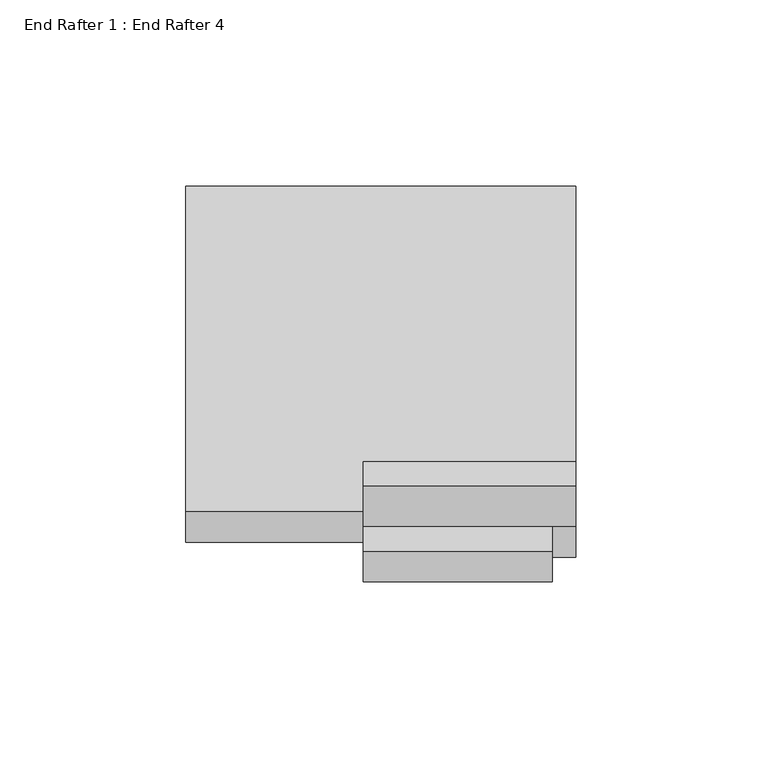
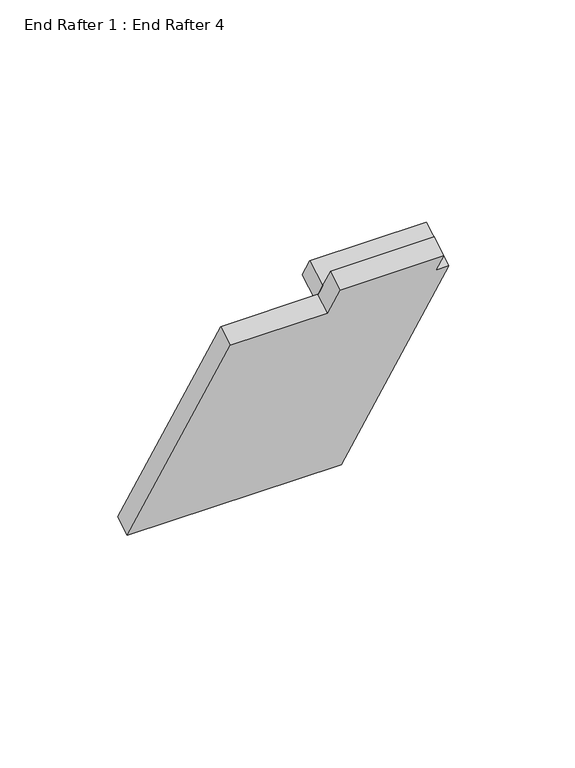
"""IFC4 building model written with IfcOpenShell, lengths in millimetres: proxy geometry, End Rafter 1 : End Rafter 4."""

import ifcopenshell
import ifcopenshell.guid

model = None  # the IFC model being written
_history = None  # IfcOwnerHistory: only IFC2X3 demands one
_inside = {}  # id of a spatial element -> (the spatial element, [elements in it])
_under = {}  # id of a project, library or spatial element -> (it, [spatial elements below it])
_declared = {}  # id of a project -> (the project, [libraries it declares])
_typed = {}  # id of a type object -> (the type object, [elements of that type])
_made_of = {}  # id of a material, layer set ... -> (it, [elements and type objects made of it])


def new_model(schema):
    """Start an empty IFC model of exactly this schema.

    Asked for "IFC4X3", IfcOpenShell would pick the latest addendum, in which some entities
    have other attributes; the version numbers below select the first issue.
    IFC2X3 requires an IfcOwnerHistory on every rooted entity: one is made here for all.
    """
    global model, _history
    if schema == "IFC4X3":
        model = ifcopenshell.file(schema_version=(4, 3, 0, 0))
    else:
        model = ifcopenshell.file(schema=schema)
    _inside.clear()
    _under.clear()
    _declared.clear()
    _typed.clear()
    _made_of.clear()
    _history = None
    if model.schema == "IFC2X3":
        org = make("IfcOrganization", Name="unknown")
        user = make(
            "IfcPersonAndOrganization",
            ThePerson=make("IfcPerson", FamilyName="unknown"),
            TheOrganization=org,
        )
        app = make(
            "IfcApplication",
            ApplicationDeveloper=org,
            Version="unknown",
            ApplicationFullName="unknown",
            ApplicationIdentifier="unknown",
        )
        _history = make(
            "IfcOwnerHistory",
            OwningUser=user,
            OwningApplication=app,
            ChangeAction="ADDED",
            CreationDate=0,
        )
    return model


def make(cls, **values):
    """One entity of the class cls with the attributes given. An attribute that is None is left unset."""
    return model.create_entity(
        cls, **{name: value for name, value in values.items() if value is not None}
    )


def rooted(cls, **values):
    """An entity with a GlobalId (a new one), such as an element, a storey or a relation."""
    return make(cls, GlobalId=ifcopenshell.guid.new(), OwnerHistory=_history, **values)


def si_unit(unit_type, name, prefix=None):
    """IfcSIUnit, for example si_unit("LENGTHUNIT", "METRE", prefix="MILLI")."""
    return make("IfcSIUnit", UnitType=unit_type, Prefix=prefix, Name=name)


def assignment(units):
    """IfcUnitAssignment: the units of a project."""
    return None if units is None else make("IfcUnitAssignment", Units=units)


def point(xyz):
    """IfcCartesianPoint."""
    return None if xyz is None else make("IfcCartesianPoint", Coordinates=xyz)


def direction(xyz):
    """IfcDirection."""
    return None if xyz is None else make("IfcDirection", DirectionRatios=xyz)


def frame(location, z_axis=None, x_axis=None):
    """IfcAxis2Placement3D, a coordinate frame: its origin and axes. An axis left out is left unset."""
    return make(
        "IfcAxis2Placement3D",
        Location=point(location),
        Axis=direction(z_axis),
        RefDirection=direction(x_axis),
    )


def origin():
    """The frame at (0, 0, 0) with its axes left unset."""
    return frame((0.0, 0.0, 0.0))


def place(relative_to, where):
    """IfcLocalPlacement: puts the frame where relative to a parent placement (None: the world)."""
    return make(
        "IfcLocalPlacement", PlacementRelTo=relative_to, RelativePlacement=where
    )


def context(
    kind, dimensions, precision=None, world=None, true_north=None, identifier=None
):
    """IfcGeometricRepresentationContext, for example the 3D "Model" context."""
    return make(
        "IfcGeometricRepresentationContext",
        ContextIdentifier=identifier,
        ContextType=kind,
        CoordinateSpaceDimension=dimensions,
        Precision=precision,
        WorldCoordinateSystem=world,
        TrueNorth=true_north,
    )


def project(units=None, contexts=None):
    """IfcProject with its units and contexts."""
    return rooted(
        "IfcProject",
        Name="project",
        RepresentationContexts=contexts,
        UnitsInContext=assignment(units),
    )


def spatial(cls, under=None, at=None, **own):
    """A site, building, storey or space (cls), placed at a placement, below another one or the project."""
    s = rooted(cls, ObjectPlacement=at, **own)
    if under is not None:
        _under.setdefault(under.id(), (under, []))[1].append(s)
    return s


def polyline(points):
    """IfcPolyline through the points."""
    return make("IfcPolyline", Points=[point(p) for p in points])


def outline(outer, holes=None, kind="AREA"):
    """IfcArbitraryClosedProfileDef: a profile drawn as a closed curve; with holes, ...WithVoids."""
    if holes is None:
        return make("IfcArbitraryClosedProfileDef", ProfileType=kind, OuterCurve=outer)
    return make(
        "IfcArbitraryProfileDefWithVoids",
        ProfileType=kind,
        OuterCurve=outer,
        InnerCurves=holes,
    )


def extrude(swept, where, along, depth):
    """IfcExtrudedAreaSolid: the profile swept, set in the frame where, extruded along a direction by depth."""
    return make(
        "IfcExtrudedAreaSolid",
        SweptArea=swept,
        Position=where,
        ExtrudedDirection=direction(along),
        Depth=depth,
    )


def shape(context_of_items, identifier, shape_type, items):
    """IfcShapeRepresentation: the items that make up one representation, for example the "Body"."""
    return make(
        "IfcShapeRepresentation",
        ContextOfItems=context_of_items,
        RepresentationIdentifier=identifier,
        RepresentationType=shape_type,
        Items=items,
    )


def source(mapping_origin, context_of_items, identifier, shape_type, items):
    """IfcRepresentationMap: a shape defined once, which mapped items show again and again."""
    return make(
        "IfcRepresentationMap",
        MappingOrigin=mapping_origin,
        MappedRepresentation=shape(context_of_items, identifier, shape_type, items),
    )


def transform(
    local_origin,
    x_axis=None,
    y_axis=None,
    z_axis=None,
    scale=None,
    scale2=None,
    scale3=None,
    uniform=True,
):
    """IfcCartesianTransformationOperator3D, or its non-uniform kind. x_axis, y_axis, z_axis: its Axis1, 2, 3."""
    if uniform:
        return make(
            "IfcCartesianTransformationOperator3D",
            Axis1=direction(x_axis),
            Axis2=direction(y_axis),
            LocalOrigin=point(local_origin),
            Scale=scale,
            Axis3=direction(z_axis),
        )
    return make(
        "IfcCartesianTransformationOperator3DnonUniform",
        Axis1=direction(x_axis),
        Axis2=direction(y_axis),
        LocalOrigin=point(local_origin),
        Scale=scale,
        Axis3=direction(z_axis),
        Scale2=scale2,
        Scale3=scale3,
    )


def mapped(mapping_source, mapping_target):
    """IfcMappedItem: shows the shape of a source again, moved by a transform."""
    return make(
        "IfcMappedItem", MappingSource=mapping_source, MappingTarget=mapping_target
    )


def made_of(thing, what):
    """Note that an element or type object is made of a material, layer set ...; save() writes the relation."""
    if what is not None:
        _made_of.setdefault(what.id(), (what, []))[1].append(thing)
    return thing


def element(
    cls,
    number,
    at=None,
    inside=None,
    cuts=None,
    type_object=None,
    material=None,
    context=None,
    identifier="Body",
    shape_type=None,
    held_by="IfcProductDefinitionShape",
    body=None,
    shapes=None,
    **own,
):
    """One element of the class cls, such as IfcWall. Its Tag is "e" and its number.

    at: its placement. inside: the storey or other place that contains it. cuts: it is an
    opening in that element (IfcRelVoidsElement). A single representation is given by context,
    identifier, shape_type and body (its items); several are given by shapes. held_by: the class
    of the entity that holds the representations. save() writes the other relations.
    """
    e = rooted(cls, Tag="e%d" % number, ObjectPlacement=at, **own)
    if body is not None:
        shapes = [shape(context, identifier, shape_type, body)]
    if shapes is not None:
        e.Representation = make(held_by, Representations=shapes)
    if inside is not None:
        _inside.setdefault(inside.id(), (inside, []))[1].append(e)
    if cuts is not None:
        rooted(
            "IfcRelVoidsElement", RelatingBuildingElement=cuts, RelatedOpeningElement=e
        )
    if type_object is not None:
        _typed.setdefault(type_object.id(), (type_object, []))[1].append(e)
    return made_of(e, material)


def aggregate(whole, parts):
    """IfcRelAggregates: a whole, such as a stair, and the parts it consists of."""
    return rooted("IfcRelAggregates", RelatingObject=whole, RelatedObjects=parts)


def save(model, path):
    """Write the relations noted so far, then the file.

    IfcRelAggregates (storeys below a building ...), IfcRelContainedInSpatialStructure (elements
    in a storey), IfcRelDefinesByType, IfcRelAssociatesMaterial and IfcRelDeclares: one each for
    every whole, place, type object, material and project.
    """
    for whole, parts in _under.values():
        aggregate(whole, parts)
    for where, things in _inside.values():
        rooted(
            "IfcRelContainedInSpatialStructure",
            RelatedElements=things,
            RelatingStructure=where,
        )
    for kind, things in _typed.values():
        rooted("IfcRelDefinesByType", RelatedObjects=things, RelatingType=kind)
    for what, things in _made_of.values():
        rooted("IfcRelAssociatesMaterial", RelatedObjects=things, RelatingMaterial=what)
    for by, libraries in _declared.values():
        rooted("IfcRelDeclares", RelatingContext=by, RelatedDefinitions=libraries)
    model.write(path)


def end_rafter_1_end_rafter_4_e24f6ce7(model_context):
    return source(origin(), model_context, "Body", "SweptSolid", [
        extrude(outline(polyline([(0.0, -57.15), (0.0, 0.0), (12.6272224, 0.0), (12.6272224, -57.15), (0.0, -57.15)])), frame((8344.2552127, -22514.1856476, -12.5264406), z_axis=(0.0, -0.49999999999998435, 0.8660254037844477), x_axis=(0.0, 0.8660254037844477, 0.49999999999998435)), (0.0, 0.0, 1.0), 12.8727295),
        extrude(outline(polyline([(-57.15, 0.0), (-6.35, 0.0), (-6.35, -21.3700505), (41.288529, -21.3700505), (41.288529, -196.3251184), (-63.5, -196.3251184), (-63.5, -13.3367068), (-57.15, -13.3367068), (-57.15, 0.0)])), frame((8337.9052127, -22535.5557291, 5.3995872), z_axis=(0.0, 0.8660254037844394, 0.49999999999999883), x_axis=(-1.0, 0.0, 0.0)), (0.0, 0.0, 1.0), 9.5440195),
    ])


if __name__ == "__main__":
    model = new_model("IFC4")
    model_context = context("Model", 3, world=origin())
    ifc_project = project(units=[si_unit("LENGTHUNIT", "METRE", prefix="MILLI")], contexts=[model_context])
    site = spatial("IfcSite", under=ifc_project)
    building = spatial("IfcBuilding", under=site)
    placement = place(None, origin())
    end_rafter_1_end_rafter_4_shape = end_rafter_1_end_rafter_4_e24f6ce7(model_context)
    element("IfcBuildingElementProxy", 1, Name="End Rafter 1 : End Rafter 4", ObjectType="End Rafter 1 : End Rafter 4", at=placement, inside=building, context=model_context, shape_type="MappedRepresentation", body=[
        mapped(end_rafter_1_end_rafter_4_shape, transform((0.0, 0.0, 0.0), x_axis=(1.0, 0.0, 0.0), y_axis=(0.0, 1.0, 0.0), z_axis=(0.0, 0.0, 1.0))),
    ])
    save(model, "model.ifc")
